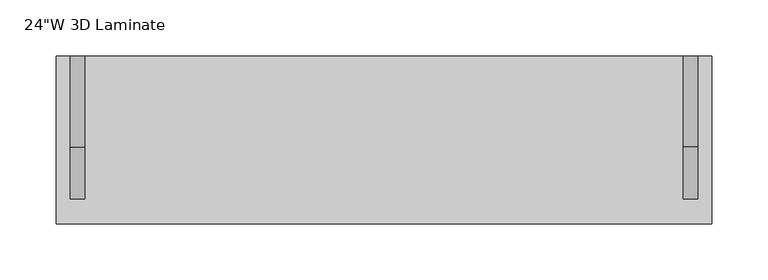
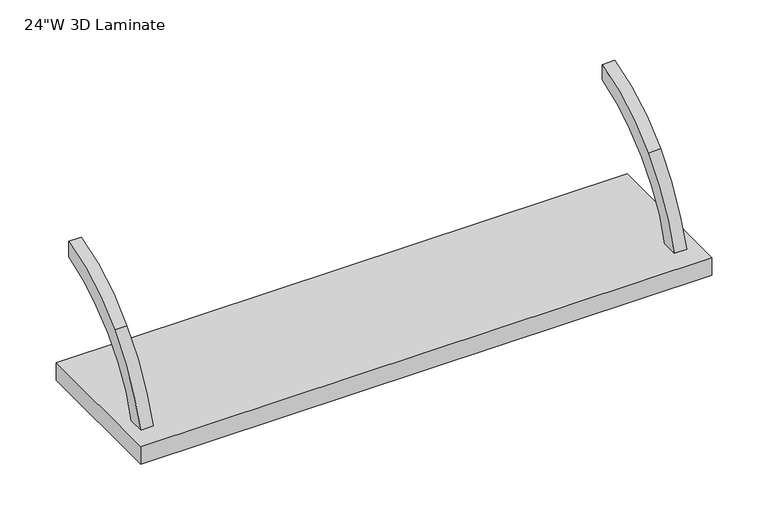
"""IFC4 building model written with IfcOpenShell, lengths in millimetres: furniture geometry."""

from ifc_helpers import new_model, si_unit, point, frame, frame_2d, origin, place, context, project, spatial, polyline, circle_curve, trimmed, segment, composite_curve, outline, extrude, source, transform, mapped, element, save


def furniture_0a30be03(model_context):
    return source(origin(), model_context, "Body", "SweptSolid", [
        extrude(outline(composite_curve([segment(polyline([(-21.75256, 1811.3938619), (-21.75256, 1794.8080334)]), True, "CONTINUOUS"), segment(trimmed(circle_curve(frame_2d((31.2350706, 1625.5332038)), 177.3743412), [point((-21.75256, 1794.8080334))], [point((-91.5649658, 1753.524641))], True, "CARTESIAN"), True, "CONTINUOUS"), segment(trimmed(circle_curve(frame_2d((14.1297346, 1643.361672)), 152.6671197), [point((-91.5649658, 1753.524641))], [point((-132.8646554, 1684.5915))], True, "CARTESIAN"), True, "CONTINUOUS"), segment(polyline([(-132.8646554, 1684.5915), (-149.4341867, 1684.5915)]), True, "CONTINUOUS"), segment(trimmed(circle_curve(frame_2d((41.312225, 1627.780367)), 199.0268786), [point((-149.4341867, 1684.5915))], [point((-102.9422911, 1764.9019663))], False, "CARTESIAN"), True, "CONTINUOUS"), segment(trimmed(circle_curve(frame_2d((15.3556483, 1652.4534754)), 163.2147835), [point((-102.9422911, 1764.9019663))], [point((-21.75256, 1811.3938619))], False, "CARTESIAN"), True, "CONTINUOUS")], self_intersect=False)), frame((285.4663384, 0.0, 0.0), z_axis=(1.0, 0.0, 0.0), x_axis=(0.0, 1.0, 0.0)), (0.0, 0.0, 1.0), 12.7),
        extrude(outline(composite_curve([segment(trimmed(circle_curve(frame_2d((15.3556483, 1652.4534754)), 163.2147835), [point((-102.9422911, 1764.9019663))], [point((-21.75256, 1811.3938619))], False, "CARTESIAN"), True, "CONTINUOUS"), segment(polyline([(-21.75256, 1811.3938619), (-21.75256, 1794.8080334)]), True, "CONTINUOUS"), segment(trimmed(circle_curve(frame_2d((31.2350706, 1625.5332038)), 177.3743412), [point((-21.75256, 1794.8080334))], [point((-91.5649658, 1753.524641))], True, "CARTESIAN"), True, "CONTINUOUS"), segment(trimmed(circle_curve(frame_2d((14.1297346, 1643.361672)), 152.6671197), [point((-91.5649658, 1753.524641))], [point((-132.8646554, 1684.5915))], True, "CARTESIAN"), True, "CONTINUOUS"), segment(polyline([(-132.8646554, 1684.5915), (-149.4341867, 1684.5915)]), True, "CONTINUOUS"), segment(trimmed(circle_curve(frame_2d((41.312225, 1627.780367)), 199.0268786), [point((-149.4341867, 1684.5915))], [point((-102.9422911, 1764.9019663))], False, "CARTESIAN"), True, "CONTINUOUS")], self_intersect=False)), frame((-260.6909286, 0.0, 0.0), z_axis=(1.0, 0.0, 0.0), x_axis=(0.0, 1.0, 0.0)), (0.0, 0.0, 1.0), 12.7),
        extrude(outline(polyline([(310.8377049, -21.75256), (310.8377049, -171.5728725), (-273.3622951, -171.5728725), (-273.3622951, -21.75256), (310.8377049, -21.75256)])), frame((0.0, 0.0, 1665.5422994), z_axis=(0.0, 0.0, 1.0), x_axis=(1.0, 0.0, 0.0)), (0.0, 0.0, 1.0), 19.0492006),
    ])


if __name__ == "__main__":
    model = new_model("IFC4")
    model_context = context("Model", 3, world=origin())
    ifc_project = project(units=[si_unit("LENGTHUNIT", "METRE", prefix="MILLI")], contexts=[model_context])
    site = spatial("IfcSite", under=ifc_project)
    building = spatial("IfcBuilding", under=site)
    placement = place(None, origin())
    furniture_shape = furniture_0a30be03(model_context)
    element("IfcFurniture", 1, ObjectType="24\"W 3D Laminate", at=placement, inside=building, context=model_context, shape_type="MappedRepresentation", body=[
        mapped(furniture_shape, transform((0.0, 0.0, 0.0), x_axis=(1.0, 0.0, 0.0), y_axis=(0.0, 1.0, 0.0), z_axis=(0.0, 0.0, 1.0))),
    ])
    save(model, "model.ifc")
